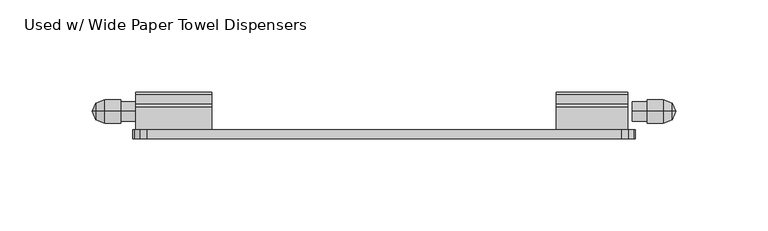
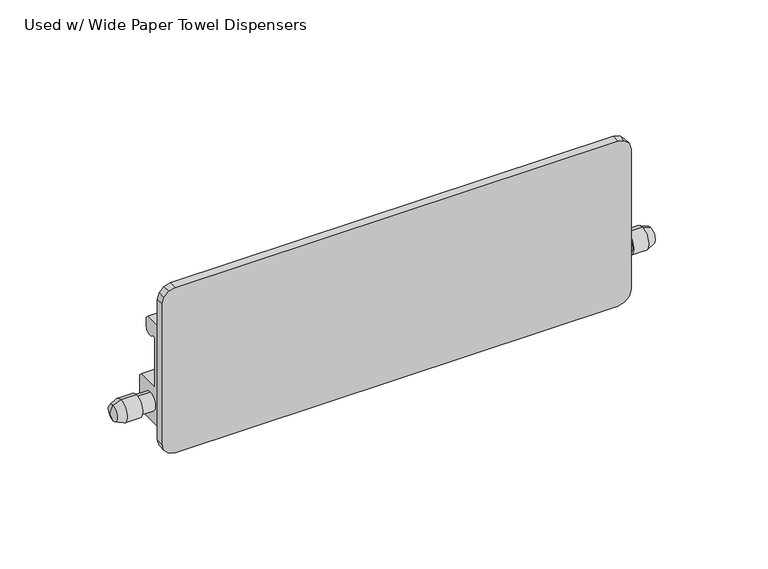
"""IFC4 building model written with IfcOpenShell, lengths in millimetres: furniture geometry, Used w/ Wide Paper Towel Dispensers."""

from ifc_helpers import new_model, si_unit, frame, origin, place, context, project, spatial, polyline, circle_curve, outline, extrude, source, transform, mapped, element, save
from ifc_brep_helpers import plane_surface, cylinder_surface, revolved_surface, advanced_brep


def used_w_wide_paper_towel_dispensers_822c9a61(model_context):
    return source(origin(), model_context, "Body", "SolidModel", [
        advanced_brep(
        [(413.0600084, -1179.0028827, 1293.6114176), (413.0600084, -1179.0028827, 1302.7653692), (411.0665981, -1179.0028827, 1298.1883934), (434.6852691, -1179.0028827, 1298.1883934), (434.6852691, -1179.0028827, 1303.5512088), (434.6852691, -1179.0028827, 1292.825578), (426.6230069, -1179.0028827, 1303.5512088), (426.6230069, -1179.0028827, 1292.825578), (426.6230069, -1179.0028827, 1304.6612155), (426.6230069, -1179.0028827, 1291.7155713), (417.8725235, -1179.0028827, 1304.6612155), (417.8725235, -1179.0028827, 1291.7155713)],
        [
            (0, 1, circle_curve(frame((413.0600084, -1179.0028827, 1298.1883934), z_axis=(-1.0, 0.0, 0.0), x_axis=(0.0, 0.0, 1.0)), 4.5769758)),
            (1, 2),
            (2, 0),
            (1, 0, circle_curve(frame((413.0600084, -1179.0028827, 1298.1883934), z_axis=(-1.0, 0.0, 0.0), x_axis=(0.0, 0.0, 1.0)), 4.5769758)),
            (3, 4),
            (4, 5, circle_curve(frame((434.6852691, -1179.0028827, 1298.1883934), z_axis=(1.0, 0.0, 0.0), x_axis=(0.0, 0.0, 1.0)), 5.3628154)),
            (5, 3),
            (5, 4, circle_curve(frame((434.6852691, -1179.0028827, 1298.1883934), z_axis=(1.0, 0.0, 0.0), x_axis=(0.0, 0.0, 1.0)), 5.3628154)),
            (4, 6),
            (6, 7, circle_curve(frame((426.6230069, -1179.0028827, 1298.1883934), z_axis=(1.0, 0.0, 0.0), x_axis=(0.0, 0.0, 1.0)), 5.3628154)),
            (7, 5),
            (7, 6, circle_curve(frame((426.6230069, -1179.0028827, 1298.1883934), z_axis=(1.0, 0.0, 0.0), x_axis=(0.0, 0.0, 1.0)), 5.3628154)),
            (6, 8),
            (8, 9, circle_curve(frame((426.6230069, -1179.0028827, 1298.1883934), z_axis=(1.0, 0.0, 0.0), x_axis=(0.0, 0.0, 1.0)), 6.4728221)),
            (9, 7),
            (9, 8, circle_curve(frame((426.6230069, -1179.0028827, 1298.1883934), z_axis=(1.0, 0.0, 0.0), x_axis=(0.0, 0.0, 1.0)), 6.4728221)),
            (8, 10),
            (10, 11, circle_curve(frame((417.8725235, -1179.0028827, 1298.1883934), z_axis=(1.0, 0.0, 0.0), x_axis=(0.0, 0.0, 1.0)), 6.4728221)),
            (11, 9),
            (11, 10, circle_curve(frame((417.8725235, -1179.0028827, 1298.1883934), z_axis=(1.0, 0.0, 0.0), x_axis=(0.0, 0.0, 1.0)), 6.4728221)),
            (10, 1),
            (0, 11),
        ],
        [
            revolved_surface(polyline([(411.0665981, -1179.0028827, 1298.1883934), (413.0600084, -1179.0028827, 1302.7653692)]), (434.6852691, -1179.0028827, 1298.1883934), (1.0, 0.0, 0.0)),
            plane_surface(frame((434.6852691, -1179.0028827, 1298.1883934), z_axis=(1.0, 0.0, 0.0), x_axis=(0.0, 0.0, 1.0))),
            cylinder_surface(frame((434.6852691, -1179.0028827, 1298.1883934), z_axis=(1.0, 0.0, 0.0), x_axis=(0.0, 0.0, 1.0)), 5.3628154),
            plane_surface(frame((426.6230069, -1179.0028827, 1298.1883934), z_axis=(1.0, 0.0, 0.0), x_axis=(0.0, 0.0, 1.0))),
            cylinder_surface(frame((434.6852691, -1179.0028827, 1298.1883934), z_axis=(1.0, 0.0, 0.0), x_axis=(0.0, 0.0, 1.0)), 6.4728221),
            revolved_surface(polyline([(413.0600084, -1179.0028827, 1302.7653692), (417.8725235, -1179.0028827, 1304.6612155)]), (434.6852691, -1179.0028827, 1298.1883934), (1.0, 0.0, 0.0)),
        ],
        [
            (0, [[1, 2, 3]]),
            (0, [[4, -3, -2]]),
            (1, [[5, 6, 7]]),
            (1, [[-7, 8, -5]]),
            (2, [[-6, 9, 10, 11]]),
            (2, [[-8, -11, 12, -9]]),
            (3, [[-10, 13, 14, 15]]),
            (3, [[-12, -15, 16, -13]]),
            (4, [[-14, 17, 18, 19]]),
            (4, [[-16, -19, 20, -17]]),
            (5, [[-18, 21, -1, 22]]),
            (5, [[-20, -22, -4, -21]]),
        ],
    ),
        advanced_brep(
        [(728.1519667, -1179.0028827, 1298.1883934), (726.1585564, -1179.0028827, 1302.7653692), (726.1585564, -1179.0028827, 1293.6114176), (704.5332957, -1179.0028827, 1292.825578), (704.5332957, -1179.0028827, 1303.5512088), (704.5332957, -1179.0028827, 1298.1883934), (712.5955579, -1179.0028827, 1292.825578), (712.5955579, -1179.0028827, 1303.5512088), (712.5955579, -1179.0028827, 1291.7155713), (712.5955579, -1179.0028827, 1304.6612155), (721.3460413, -1179.0028827, 1291.7155713), (721.3460413, -1179.0028827, 1304.6612155)],
        [
            (0, 1),
            (1, 2, circle_curve(frame((726.1585564, -1179.0028827, 1298.1883934), z_axis=(1.0, 0.0, 0.0), x_axis=(0.0, 0.0, 1.0)), 4.5769758)),
            (2, 0),
            (2, 1, circle_curve(frame((726.1585564, -1179.0028827, 1298.1883934), z_axis=(1.0, 0.0, 0.0), x_axis=(0.0, 0.0, 1.0)), 4.5769758)),
            (3, 4, circle_curve(frame((704.5332957, -1179.0028827, 1298.1883934), z_axis=(-1.0, 0.0, 0.0), x_axis=(0.0, 0.0, 1.0)), 5.3628154)),
            (4, 5),
            (5, 3),
            (4, 3, circle_curve(frame((704.5332957, -1179.0028827, 1298.1883934), z_axis=(-1.0, 0.0, 0.0), x_axis=(0.0, 0.0, 1.0)), 5.3628154)),
            (6, 7, circle_curve(frame((712.5955579, -1179.0028827, 1298.1883934), z_axis=(-1.0, 0.0, 0.0), x_axis=(0.0, 0.0, 1.0)), 5.3628154)),
            (7, 4),
            (3, 6),
            (7, 6, circle_curve(frame((712.5955579, -1179.0028827, 1298.1883934), z_axis=(-1.0, 0.0, 0.0), x_axis=(0.0, 0.0, 1.0)), 5.3628154)),
            (8, 9, circle_curve(frame((712.5955579, -1179.0028827, 1298.1883934), z_axis=(-1.0, 0.0, 0.0), x_axis=(0.0, 0.0, 1.0)), 6.4728221)),
            (9, 7),
            (6, 8),
            (9, 8, circle_curve(frame((712.5955579, -1179.0028827, 1298.1883934), z_axis=(-1.0, 0.0, 0.0), x_axis=(0.0, 0.0, 1.0)), 6.4728221)),
            (10, 11, circle_curve(frame((721.3460413, -1179.0028827, 1298.1883934), z_axis=(-1.0, 0.0, 0.0), x_axis=(0.0, 0.0, 1.0)), 6.4728221)),
            (11, 9),
            (8, 10),
            (11, 10, circle_curve(frame((721.3460413, -1179.0028827, 1298.1883934), z_axis=(-1.0, 0.0, 0.0), x_axis=(0.0, 0.0, 1.0)), 6.4728221)),
            (1, 11),
            (10, 2),
        ],
        [
            revolved_surface(polyline([(726.1585564, -1179.0028827, 1302.7653692), (728.1519667, -1179.0028827, 1298.1883934)]), (704.5332957, -1179.0028827, 1298.1883934), (1.0, 0.0, 0.0)),
            plane_surface(frame((704.5332957, -1179.0028827, 1298.1883934), z_axis=(-1.0, 0.0, 0.0), x_axis=(0.0, 0.0, 1.0))),
            cylinder_surface(frame((704.5332957, -1179.0028827, 1298.1883934), z_axis=(1.0, 0.0, 0.0), x_axis=(0.0, 0.0, 1.0)), 5.3628154),
            plane_surface(frame((712.5955579, -1179.0028827, 1298.1883934), z_axis=(-1.0, 0.0, 0.0), x_axis=(0.0, 0.0, 1.0))),
            cylinder_surface(frame((704.5332957, -1179.0028827, 1298.1883934), z_axis=(1.0, 0.0, 0.0), x_axis=(0.0, 0.0, 1.0)), 6.4728221),
            revolved_surface(polyline([(721.3460413, -1179.0028827, 1304.6612155), (726.1585564, -1179.0028827, 1302.7653692)]), (704.5332957, -1179.0028827, 1298.1883934), (1.0, 0.0, 0.0)),
        ],
        [
            (0, [[1, 2, 3]]),
            (0, [[-3, 4, -1]]),
            (1, [[5, 6, 7]]),
            (1, [[8, -7, -6]]),
            (2, [[9, 10, -5, 11]]),
            (2, [[12, -11, -8, -10]]),
            (3, [[13, 14, -9, 15]]),
            (3, [[16, -15, -12, -14]]),
            (4, [[17, 18, -13, 19]]),
            (4, [[20, -19, -16, -18]]),
            (5, [[-2, 21, -17, 22]]),
            (5, [[-4, -22, -20, -21]]),
        ],
    ),
        extrude(outline(polyline([(-1189.0551179, 1348.7648717), (-1176.6152827, 1348.7648717), (-1175.0404828, 1347.1900717), (-1175.0404828, 1342.440272), (-1175.8231929, 1340.0759144), (-1177.8620988, 1338.6456406), (-1180.3516929, 1338.7145068), (-1182.3084145, 1340.2553062), (-1183.7526827, 1339.8211143), (-1183.7526827, 1310.0867042), (-1183.1573702, 1309.4913917), (-1170.0811329, 1309.4913917), (-1168.506333, 1307.9165923), (-1168.506333, 1288.4906705), (-1170.0811329, 1286.9158711), (-1187.7341331, 1286.9158711), (-1189.0551179, 1288.2368558), (-1189.0551179, 1348.7648717)])), frame((434.6852691, 0.0, 0.0), z_axis=(1.0, 0.0, 0.0), x_axis=(0.0, 1.0, 0.0)), (0.0, 0.0, 1.0), 41.2749879),
        extrude(outline(polyline([(-1189.0551179, 1348.7648717), (-1176.6152827, 1348.7648717), (-1175.0404828, 1347.1900717), (-1175.0404828, 1342.440272), (-1175.8231929, 1340.0759144), (-1177.8620988, 1338.6456406), (-1180.3516929, 1338.7145068), (-1182.3084145, 1340.2553062), (-1183.7526827, 1339.8211143), (-1183.7526827, 1310.0867042), (-1183.1573702, 1309.4913917), (-1170.0811329, 1309.4913917), (-1168.506333, 1307.9165923), (-1168.506333, 1288.4906705), (-1170.0811329, 1286.9158711), (-1187.7341331, 1286.9158711), (-1189.0551179, 1288.2368558), (-1189.0551179, 1348.7648717)])), frame((663.2583078, 0.0, 0.0), z_axis=(1.0, 0.0, 0.0), x_axis=(0.0, 1.0, 0.0)), (0.0, 0.0, 1.0), 38.7349865),
        extrude(outline(polyline([(1280.7949927, 433.0842881), (1276.9849964, 434.1051742), (1274.1958861, 436.8942879), (1273.175, 440.7042876), (1273.175, 698.5142953), (1274.1958861, 702.3242917), (1276.9849964, 705.113402), (1280.7949927, 706.1342881), (1367.1549982, 706.1342881), (1370.9649991, 705.113402), (1373.7541116, 702.3242917), (1374.775, 698.5142953), (1374.775, 440.7042876), (1373.7541116, 436.8942879), (1370.9649991, 434.1051742), (1367.1549982, 433.0842881), (1280.7949927, 433.0842881)])), frame((0.0, -1193.9065182, 0.0), z_axis=(0.0, 1.0, 0.0), x_axis=(0.0, 0.0, 1.0)), (0.0, 0.0, 1.0), 4.8514004),
    ])


if __name__ == "__main__":
    model = new_model("IFC4")
    model_context = context("Model", 3, world=origin())
    ifc_project = project(units=[si_unit("LENGTHUNIT", "METRE", prefix="MILLI")], contexts=[model_context])
    site = spatial("IfcSite", under=ifc_project)
    building = spatial("IfcBuilding", under=site)
    placement = place(None, origin())
    used_w_wide_paper_towel_dispensers_shape = used_w_wide_paper_towel_dispensers_822c9a61(model_context)
    element("IfcFurniture", 1, ObjectType="Used w/ Wide Paper Towel Dispensers", at=placement, inside=building, context=model_context, shape_type="MappedRepresentation", body=[
        mapped(used_w_wide_paper_towel_dispensers_shape, transform((0.0, 0.0, 0.0), x_axis=(1.0, 0.0, 0.0), y_axis=(0.0, 1.0, 0.0), z_axis=(0.0, 0.0, 1.0))),
    ])
    save(model, "model.ifc")
